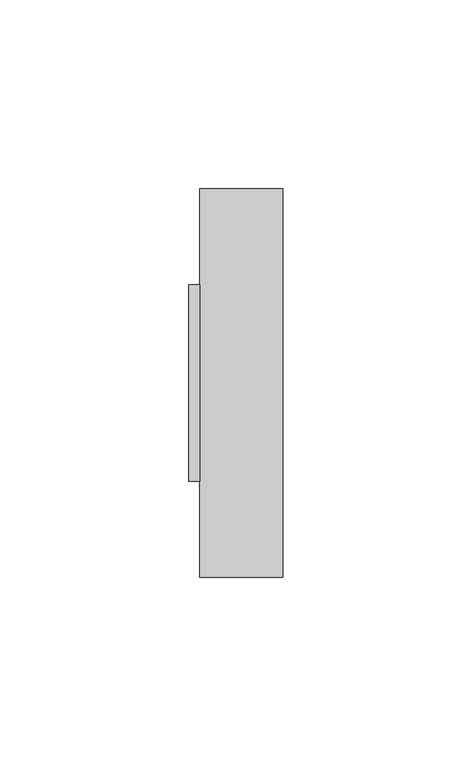
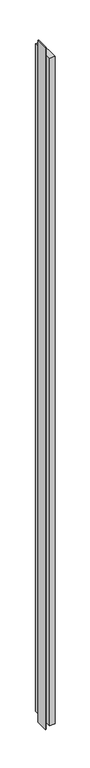
"""IFC4 building model written with IfcOpenShell, lengths in millimetres: furniture geometry."""

from ifc_helpers import new_model, si_unit, frame, origin, origin_with_axes, place, context, project, spatial, polyline, outline, extrude, source, transform, mapped, element, save


def furniture_483a3942(model_context):
    return source(origin(), model_context, "Body", "SweptSolid", [
        extrude(outline(polyline([(-176.1915113, 25.9969), (-173.1943113, 25.9969), (-173.1943113, -25.9969), (-176.1915113, -25.9969), (-176.1915113, 25.9969)])), origin_with_axes(), (0.0, 0.0, 1.0), 2997.2),
        extrude(outline(polyline([(-173.1943113, 51.5112), (-151.1979113, 51.5112), (-151.1979113, -51.5112), (-173.1943113, -51.5112), (-173.1943113, 51.5112)])), frame((0.0, 0.0, 32.004), z_axis=(0.0, 0.0, 1.0), x_axis=(1.0, 0.0, 0.0)), (0.0, 0.0, 1.0), 2933.192),
    ])


if __name__ == "__main__":
    model = new_model("IFC4")
    model_context = context("Model", 3, world=origin())
    ifc_project = project(units=[si_unit("LENGTHUNIT", "METRE", prefix="MILLI")], contexts=[model_context])
    site = spatial("IfcSite", under=ifc_project)
    building = spatial("IfcBuilding", under=site)
    placement = place(None, origin())
    furniture_shape = furniture_483a3942(model_context)
    element("IfcFurniture", 1, at=placement, inside=building, context=model_context, shape_type="MappedRepresentation", body=[
        mapped(furniture_shape, transform((0.0, 0.0, 0.0), x_axis=(1.0, 0.0, 0.0), y_axis=(0.0, 1.0, 0.0), z_axis=(0.0, 0.0, 1.0))),
    ])
    save(model, "model.ifc")
